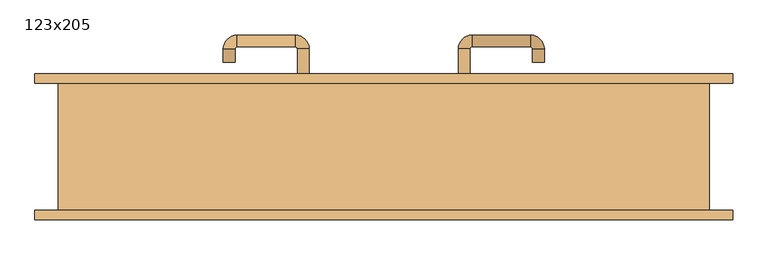
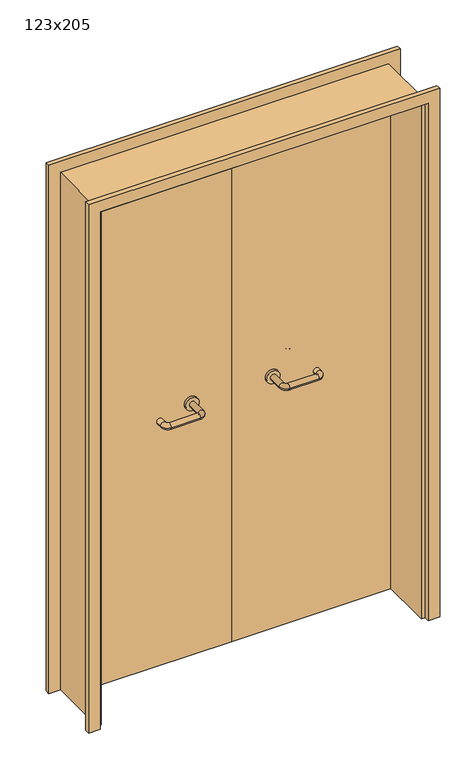
"""IFC4 building model written with IfcOpenShell, lengths in millimetres: door geometry, 123x205."""

from ifc_helpers import new_model, si_unit, point, frame, frame_2d, origin, place, context, project, spatial, polyline, circle_curve, ellipse_curve, trimmed, segment, composite_curve, outline, extrude, source, transform, mapped, element, save
from ifc_brep_helpers import plane_surface, cylinder_surface, revolved_surface, advanced_brep


def door_123x205_2bc23740(model_context):
    return source(origin(), model_context, "Body", "SolidModel", [
        extrude(outline(polyline([(2094.0, 659.0), (2094.0, -659.0), (0.0, -659.0), (0.0, -615.0), (2050.0, -615.0), (2050.0, 615.0), (0.0, 615.0), (0.0, 659.0), (2094.0, 659.0)])), frame((0.0, 120.0, 0.0), z_axis=(0.0, 1.0, 0.0), x_axis=(0.0, 0.0, 1.0)), (0.0, 0.0, 1.0), 18.0),
        extrude(outline(polyline([(2094.0, -659.0), (0.0, -659.0), (0.0, -615.0), (2050.0, -615.0), (2050.0, 615.0), (0.0, 615.0), (0.0, 659.0), (2094.0, 659.0), (2094.0, -659.0)])), frame((0.0, -138.0, 0.0), z_axis=(0.0, 1.0, 0.0), x_axis=(0.0, 0.0, 1.0)), (0.0, 0.0, 1.0), 18.0),
        extrude(outline(polyline([(2050.0, -615.0), (0.0, -615.0), (0.0, -600.0), (2035.0, -600.0), (2035.0, 600.0), (0.0, 600.0), (0.0, 615.0), (2050.0, 615.0), (2050.0, -615.0)])), frame((0.0, -119.0, 0.0), z_axis=(0.0, 1.0, 0.0), x_axis=(0.0, 0.0, 1.0)), (0.0, 0.0, 1.0), 239.0),
        advanced_brep(
        [(140.99898, 66.0, 1003.0), (162.99898, 66.0, 1003.0), (140.99898, 10.6474631, 1003.0), (162.99898, 10.6474631, 1003.0), (166.99898, 6.6474631, 1003.0), (166.99898, -15.3525369, 1003.0), (276.99898, -15.3525369, 1003.0), (276.99898, 6.6474631, 1003.0), (280.99898, 10.6474631, 1003.0), (302.99898, 10.6474631, 1003.0), (302.99898, 28.0, 1003.0), (280.99898, 28.0, 1003.0)],
        [
            (0, 1, circle_curve(frame((151.99898, 66.0, 1003.0), z_axis=(0.0, 1.0, 0.0), x_axis=(1.0, 0.0, 0.0)), 11.0)),
            (1, 0, circle_curve(frame((151.99898, 66.0, 1003.0), z_axis=(0.0, 1.0, 0.0), x_axis=(1.0, 0.0, 0.0)), 11.0)),
            (0, 2),
            (2, 3, circle_curve(frame((151.99898, 10.6474631, 1003.0), z_axis=(0.0, 1.0, 0.0), x_axis=(1.0, 0.0, 0.0)), 11.0)),
            (3, 1),
            (3, 2, circle_curve(frame((151.99898, 10.6474631, 1003.0), z_axis=(0.0, 1.0, 0.0), x_axis=(1.0, 0.0, 0.0)), 11.0)),
            (4, 3, circle_curve(frame((166.99898, 10.6474631, 1003.0), z_axis=(0.0, 0.0, -1.0), x_axis=(-1.0, 0.0, 0.0)), 4.0)),
            (2, 5, circle_curve(frame((166.99898, 10.6474631, 1003.0), z_axis=(0.0, 0.0, 1.0), x_axis=(-1.0, 0.0, 0.0)), 26.0)),
            (5, 4, circle_curve(frame((166.99898, -4.3525369, 1003.0), z_axis=(-1.0, 0.0, 0.0), x_axis=(0.0, 1.0, 0.0)), 11.0)),
            (4, 5, circle_curve(frame((166.99898, -4.3525369, 1003.0), z_axis=(-1.0, 0.0, 0.0), x_axis=(0.0, 1.0, 0.0)), 11.0)),
            (5, 6),
            (6, 7, circle_curve(frame((276.99898, -4.3525369, 1003.0), z_axis=(-1.0, 0.0, 0.0), x_axis=(0.0, 1.0, 0.0)), 11.0)),
            (7, 4),
            (7, 6, circle_curve(frame((276.99898, -4.3525369, 1003.0), z_axis=(-1.0, 0.0, 0.0), x_axis=(0.0, 1.0, 0.0)), 11.0)),
            (8, 7, circle_curve(frame((276.99898, 10.6474631, 1003.0), z_axis=(0.0, 0.0, -1.0), x_axis=(0.0, -1.0, 0.0)), 4.0)),
            (6, 9, circle_curve(frame((276.99898, 10.6474631, 1003.0), z_axis=(0.0, 0.0, 1.0), x_axis=(0.0, -1.0, 0.0)), 26.0)),
            (9, 8, circle_curve(frame((291.99898, 10.6474631, 1003.0), z_axis=(0.0, -1.0, 0.0), x_axis=(-1.0, 0.0, 0.0)), 11.0)),
            (8, 9, circle_curve(frame((291.99898, 10.6474631, 1003.0), z_axis=(0.0, -1.0, 0.0), x_axis=(-1.0, 0.0, 0.0)), 11.0)),
            (10, 11, circle_curve(frame((291.99898, 28.0, 1003.0), z_axis=(0.0, 1.0, 0.0), x_axis=(-1.0, 0.0, 0.0)), 11.0)),
            (11, 10, circle_curve(frame((291.99898, 28.0, 1003.0), z_axis=(0.0, 1.0, 0.0), x_axis=(-1.0, 0.0, 0.0)), 11.0)),
            (9, 10),
            (11, 8),
        ],
        [
            plane_surface(frame((140.99898, 66.0, 1003.0), z_axis=(0.0, 1.0, 0.0), x_axis=(0.0, 0.0, -1.0))),
            cylinder_surface(frame((151.99898, 66.0, 1003.0), z_axis=(0.0, 1.0, 0.0), x_axis=(1.0, 0.0, 0.0)), 11.0),
            revolved_surface(trimmed(ellipse_curve(frame((151.99898, 10.6474631, 1003.0), z_axis=(0.0, 1.0, 0.0), x_axis=(1.0, 0.0, 0.0)), 11.0, 11.0), [point((140.99898, 10.6474631, 1003.0))], [point((162.99898, 10.6474631, 1003.0))], True, "CARTESIAN"), (166.99898, 10.6474631, 1003.0), (0.0, 0.0, 1.0)),
            revolved_surface(trimmed(ellipse_curve(frame((151.99898, 10.6474631, 1003.0), z_axis=(0.0, 1.0, 0.0), x_axis=(1.0, 0.0, 0.0)), 11.0, 11.0), [point((162.99898, 10.6474631, 1003.0))], [point((140.99898, 10.6474631, 1003.0))], True, "CARTESIAN"), (166.99898, 10.6474631, 1003.0), (0.0, 0.0, 1.0)),
            cylinder_surface(frame((166.99898, -4.3525369, 1003.0), z_axis=(-1.0, 0.0, 0.0), x_axis=(0.0, 1.0, 0.0)), 11.0),
            revolved_surface(trimmed(ellipse_curve(frame((276.99898, -4.3525369, 1003.0), z_axis=(-1.0, 0.0, 0.0), x_axis=(0.0, 1.0, 0.0)), 11.0, 11.0), [point((276.99898, -15.3525369, 1003.0))], [point((276.99898, 6.6474631, 1003.0))], True, "CARTESIAN"), (276.99898, 10.6474631, 1003.0), (0.0, 0.0, 1.0)),
            revolved_surface(trimmed(ellipse_curve(frame((276.99898, -4.3525369, 1003.0), z_axis=(-1.0, 0.0, 0.0), x_axis=(0.0, 1.0, 0.0)), 11.0, 11.0), [point((276.99898, 6.6474631, 1003.0))], [point((276.99898, -15.3525369, 1003.0))], True, "CARTESIAN"), (276.99898, 10.6474631, 1003.0), (0.0, 0.0, 1.0)),
            plane_surface(frame((280.99898, 28.0, 1003.0), z_axis=(0.0, 1.0, 0.0), x_axis=(0.0, 0.0, 1.0))),
            cylinder_surface(frame((291.99898, 10.6474631, 1003.0), z_axis=(0.0, -1.0, 0.0), x_axis=(-1.0, 0.0, 0.0)), 11.0),
        ],
        [
            (0, [[1, 2]]),
            (1, [[-1, 3, 4, 5]]),
            (1, [[-2, -5, 6, -3]]),
            (2, [[7, -4, 8, 9]]),
            (3, [[-8, -6, -7, 10]]),
            (4, [[-9, 11, 12, 13]]),
            (4, [[-10, -13, 14, -11]]),
            (5, [[15, -12, 16, 17]]),
            (6, [[-16, -14, -15, 18]]),
            (7, [[19, 20]]),
            (8, [[-17, 21, -20, 22]]),
            (8, [[-18, -22, -19, -21]]),
        ],
    ),
        extrude(outline(composite_curve([segment(trimmed(circle_curve(frame_2d((1003.0, 151.99898)), 25.0), [point((1003.0, 126.99898))], [point((1003.0, 176.99898))], False, "CARTESIAN"), True, "CONTINUOUS"), segment(trimmed(circle_curve(frame_2d((1003.0, 151.99898)), 25.0), [point((1003.0, 176.99898))], [point((1003.0, 126.99898))], False, "CARTESIAN"), True, "CONTINUOUS")], self_intersect=False)), frame((0.0, 66.0, 0.0), z_axis=(0.0, 1.0, 0.0), x_axis=(0.0, 0.0, 1.0)), (0.0, 0.0, 1.0), 10.0),
        advanced_brep(
        [(162.99898, 130.0, 1003.0), (140.99898, 130.0, 1003.0), (162.99898, 185.0, 1003.0), (140.99898, 185.0, 1003.0), (166.99898, 211.0, 1003.0), (166.99898, 189.0, 1003.0), (276.99898, 189.0, 1003.0), (276.99898, 211.0, 1003.0), (302.99898, 185.0, 1003.0), (280.99898, 185.0, 1003.0), (280.99898, 160.0, 1003.0), (302.99898, 160.0, 1003.0)],
        [
            (0, 1, circle_curve(frame((151.99898, 130.0, 1003.0), z_axis=(0.0, -1.0, 0.0), x_axis=(-1.0, 0.0, 0.0)), 11.0)),
            (1, 0, circle_curve(frame((151.99898, 130.0, 1003.0), z_axis=(0.0, -1.0, 0.0), x_axis=(-1.0, 0.0, 0.0)), 11.0)),
            (0, 2),
            (2, 3, circle_curve(frame((151.99898, 185.0, 1003.0), z_axis=(0.0, -1.0, 0.0), x_axis=(-1.0, 0.0, 0.0)), 11.0)),
            (3, 1),
            (3, 2, circle_curve(frame((151.99898, 185.0, 1003.0), z_axis=(0.0, -1.0, 0.0), x_axis=(-1.0, 0.0, 0.0)), 11.0)),
            (4, 3, circle_curve(frame((166.99898, 185.0, 1003.0), z_axis=(0.0, 0.0, 1.0), x_axis=(-1.0, 0.0, 0.0)), 26.0)),
            (2, 5, circle_curve(frame((166.99898, 185.0, 1003.0), z_axis=(0.0, 0.0, -1.0), x_axis=(-1.0, 0.0, 0.0)), 4.0)),
            (5, 4, circle_curve(frame((166.99898, 200.0, 1003.0), z_axis=(-1.0, 0.0, 0.0), x_axis=(0.0, 1.0, 0.0)), 11.0)),
            (4, 5, circle_curve(frame((166.99898, 200.0, 1003.0), z_axis=(-1.0, 0.0, 0.0), x_axis=(0.0, 1.0, 0.0)), 11.0)),
            (5, 6),
            (6, 7, circle_curve(frame((276.99898, 200.0, 1003.0), z_axis=(-1.0, 0.0, 0.0), x_axis=(0.0, 1.0, 0.0)), 11.0)),
            (7, 4),
            (7, 6, circle_curve(frame((276.99898, 200.0, 1003.0), z_axis=(-1.0, 0.0, 0.0), x_axis=(0.0, 1.0, 0.0)), 11.0)),
            (8, 7, circle_curve(frame((276.99898, 185.0, 1003.0), z_axis=(0.0, 0.0, 1.0), x_axis=(0.0, 1.0, 0.0)), 26.0)),
            (6, 9, circle_curve(frame((276.99898, 185.0, 1003.0), z_axis=(0.0, 0.0, -1.0), x_axis=(0.0, 1.0, 0.0)), 4.0)),
            (9, 8, circle_curve(frame((291.99898, 185.0, 1003.0), z_axis=(0.0, 1.0, 0.0), x_axis=(1.0, 0.0, 0.0)), 11.0)),
            (8, 9, circle_curve(frame((291.99898, 185.0, 1003.0), z_axis=(0.0, 1.0, 0.0), x_axis=(1.0, 0.0, 0.0)), 11.0)),
            (10, 11, circle_curve(frame((291.99898, 160.0, 1003.0), z_axis=(0.0, -1.0, 0.0), x_axis=(1.0, 0.0, 0.0)), 11.0)),
            (11, 10, circle_curve(frame((291.99898, 160.0, 1003.0), z_axis=(0.0, -1.0, 0.0), x_axis=(1.0, 0.0, 0.0)), 11.0)),
            (9, 10),
            (11, 8),
        ],
        [
            plane_surface(frame((140.99898, 130.0, 1003.0), z_axis=(0.0, -1.0, 0.0), x_axis=(0.0, 0.0, 1.0))),
            cylinder_surface(frame((151.99898, 130.0, 1003.0), z_axis=(0.0, -1.0, 0.0), x_axis=(-1.0, 0.0, 0.0)), 11.0),
            revolved_surface(trimmed(ellipse_curve(frame((151.99898, 185.0, 1003.0), z_axis=(0.0, -1.0, 0.0), x_axis=(-1.0, 0.0, 0.0)), 11.0, 11.0), [point((162.99898, 185.0, 1003.0))], [point((140.99898, 185.0, 1003.0))], True, "CARTESIAN"), (166.99898, 185.0, 1003.0), (0.0, 0.0, -1.0)),
            revolved_surface(trimmed(ellipse_curve(frame((151.99898, 185.0, 1003.0), z_axis=(0.0, -1.0, 0.0), x_axis=(-1.0, 0.0, 0.0)), 11.0, 11.0), [point((140.99898, 185.0, 1003.0))], [point((162.99898, 185.0, 1003.0))], True, "CARTESIAN"), (166.99898, 185.0, 1003.0), (0.0, 0.0, -1.0)),
            cylinder_surface(frame((166.99898, 200.0, 1003.0), z_axis=(-1.0, 0.0, 0.0), x_axis=(0.0, 1.0, 0.0)), 11.0),
            revolved_surface(trimmed(ellipse_curve(frame((276.99898, 200.0, 1003.0), z_axis=(-1.0, 0.0, 0.0), x_axis=(0.0, 1.0, 0.0)), 11.0, 11.0), [point((276.99898, 189.0, 1003.0))], [point((276.99898, 211.0, 1003.0))], True, "CARTESIAN"), (276.99898, 185.0, 1003.0), (0.0, 0.0, -1.0)),
            revolved_surface(trimmed(ellipse_curve(frame((276.99898, 200.0, 1003.0), z_axis=(-1.0, 0.0, 0.0), x_axis=(0.0, 1.0, 0.0)), 11.0, 11.0), [point((276.99898, 211.0, 1003.0))], [point((276.99898, 189.0, 1003.0))], True, "CARTESIAN"), (276.99898, 185.0, 1003.0), (0.0, 0.0, -1.0)),
            plane_surface(frame((280.99898, 160.0, 1003.0), z_axis=(0.0, -1.0, 0.0), x_axis=(0.0, 0.0, -1.0))),
            cylinder_surface(frame((291.99898, 185.0, 1003.0), z_axis=(0.0, 1.0, 0.0), x_axis=(1.0, 0.0, 0.0)), 11.0),
        ],
        [
            (0, [[1, 2]]),
            (1, [[-1, 3, 4, 5]]),
            (1, [[-2, -5, 6, -3]]),
            (2, [[7, -4, 8, 9]]),
            (3, [[-8, -6, -7, 10]]),
            (4, [[-9, 11, 12, 13]]),
            (4, [[-10, -13, 14, -11]]),
            (5, [[15, -12, 16, 17]]),
            (6, [[-16, -14, -15, 18]]),
            (7, [[19, 20]]),
            (8, [[-17, 21, -20, 22]]),
            (8, [[-18, -22, -19, -21]]),
        ],
    ),
        extrude(outline(composite_curve([segment(trimmed(circle_curve(frame_2d((1003.0, 151.99898)), 25.0), [point((1003.0, 176.99898))], [point((1003.0, 126.99898))], False, "CARTESIAN"), True, "CONTINUOUS"), segment(trimmed(circle_curve(frame_2d((1003.0, 151.99898)), 25.0), [point((1003.0, 126.99898))], [point((1003.0, 176.99898))], False, "CARTESIAN"), True, "CONTINUOUS")], self_intersect=False)), frame((0.0, 120.0, 0.0), z_axis=(0.0, 1.0, 0.0), x_axis=(0.0, 0.0, 1.0)), (0.0, 0.0, 1.0), 10.0),
        advanced_brep(
        [(-162.99898, 65.6886121, 1003.0), (-140.99898, 65.6886121, 1003.0), (-162.99898, 10.2779553, 1003.0), (-140.99898, 10.2779553, 1003.0), (-166.99898, -15.7220447, 1003.0), (-166.99898, 6.2779553, 1003.0), (-276.99898, 6.2779553, 1003.0), (-276.99898, -15.7220447, 1003.0), (-302.99898, 10.2779553, 1003.0), (-280.99898, 10.2779553, 1003.0), (-280.99898, 35.2779553, 1003.0), (-302.99898, 35.2779553, 1003.0)],
        [
            (0, 1, circle_curve(frame((-151.99898, 65.6886121, 1003.0), z_axis=(0.0, 1.0, 0.0), x_axis=(1.0, 0.0, 0.0)), 11.0)),
            (1, 0, circle_curve(frame((-151.99898, 65.6886121, 1003.0), z_axis=(0.0, 1.0, 0.0), x_axis=(1.0, 0.0, 0.0)), 11.0)),
            (0, 2),
            (2, 3, circle_curve(frame((-151.99898, 10.2779553, 1003.0), z_axis=(0.0, 1.0, 0.0), x_axis=(1.0, 0.0, 0.0)), 11.0)),
            (3, 1),
            (3, 2, circle_curve(frame((-151.99898, 10.2779553, 1003.0), z_axis=(0.0, 1.0, 0.0), x_axis=(1.0, 0.0, 0.0)), 11.0)),
            (4, 3, circle_curve(frame((-166.99898, 10.2779553, 1003.0), z_axis=(0.0, 0.0, 1.0), x_axis=(1.0, 0.0, 0.0)), 26.0)),
            (2, 5, circle_curve(frame((-166.99898, 10.2779553, 1003.0), z_axis=(0.0, 0.0, -1.0), x_axis=(1.0, 0.0, 0.0)), 4.0)),
            (5, 4, circle_curve(frame((-166.99898, -4.7220447, 1003.0), z_axis=(1.0, 0.0, 0.0), x_axis=(0.0, -1.0, 0.0)), 11.0)),
            (4, 5, circle_curve(frame((-166.99898, -4.7220447, 1003.0), z_axis=(1.0, 0.0, 0.0), x_axis=(0.0, -1.0, 0.0)), 11.0)),
            (5, 6),
            (6, 7, circle_curve(frame((-276.99898, -4.7220447, 1003.0), z_axis=(1.0, 0.0, 0.0), x_axis=(0.0, -1.0, 0.0)), 11.0)),
            (7, 4),
            (7, 6, circle_curve(frame((-276.99898, -4.7220447, 1003.0), z_axis=(1.0, 0.0, 0.0), x_axis=(0.0, -1.0, 0.0)), 11.0)),
            (8, 7, circle_curve(frame((-276.99898, 10.2779553, 1003.0), z_axis=(0.0, 0.0, 1.0), x_axis=(0.0, -1.0, 0.0)), 26.0)),
            (6, 9, circle_curve(frame((-276.99898, 10.2779553, 1003.0), z_axis=(0.0, 0.0, -1.0), x_axis=(0.0, -1.0, 0.0)), 4.0)),
            (9, 8, circle_curve(frame((-291.99898, 10.2779553, 1003.0), z_axis=(0.0, -1.0, 0.0), x_axis=(-1.0, 0.0, 0.0)), 11.0)),
            (8, 9, circle_curve(frame((-291.99898, 10.2779553, 1003.0), z_axis=(0.0, -1.0, 0.0), x_axis=(-1.0, 0.0, 0.0)), 11.0)),
            (10, 11, circle_curve(frame((-291.99898, 35.2779553, 1003.0), z_axis=(0.0, 1.0, 0.0), x_axis=(-1.0, 0.0, 0.0)), 11.0)),
            (11, 10, circle_curve(frame((-291.99898, 35.2779553, 1003.0), z_axis=(0.0, 1.0, 0.0), x_axis=(-1.0, 0.0, 0.0)), 11.0)),
            (9, 10),
            (11, 8),
        ],
        [
            plane_surface(frame((-162.99898, 65.6886121, 1003.0), z_axis=(0.0, 1.0, 0.0), x_axis=(0.0, 0.0, -1.0))),
            cylinder_surface(frame((-151.99898, 65.6886121, 1003.0), z_axis=(0.0, 1.0, 0.0), x_axis=(1.0, 0.0, 0.0)), 11.0),
            revolved_surface(trimmed(ellipse_curve(frame((-151.99898, 10.2779553, 1003.0), z_axis=(0.0, 1.0, 0.0), x_axis=(1.0, 0.0, 0.0)), 11.0, 11.0), [point((-162.99898, 10.2779553, 1003.0))], [point((-140.99898, 10.2779553, 1003.0))], True, "CARTESIAN"), (-166.99898, 10.2779553, 1003.0), (0.0, 0.0, -1.0)),
            revolved_surface(trimmed(ellipse_curve(frame((-151.99898, 10.2779553, 1003.0), z_axis=(0.0, 1.0, 0.0), x_axis=(1.0, 0.0, 0.0)), 11.0, 11.0), [point((-140.99898, 10.2779553, 1003.0))], [point((-162.99898, 10.2779553, 1003.0))], True, "CARTESIAN"), (-166.99898, 10.2779553, 1003.0), (0.0, 0.0, -1.0)),
            cylinder_surface(frame((-166.99898, -4.7220447, 1003.0), z_axis=(1.0, 0.0, 0.0), x_axis=(0.0, -1.0, 0.0)), 11.0),
            revolved_surface(trimmed(ellipse_curve(frame((-276.99898, -4.7220447, 1003.0), z_axis=(1.0, 0.0, 0.0), x_axis=(0.0, -1.0, 0.0)), 11.0, 11.0), [point((-276.99898, 6.2779553, 1003.0))], [point((-276.99898, -15.7220447, 1003.0))], True, "CARTESIAN"), (-276.99898, 10.2779553, 1003.0), (0.0, 0.0, -1.0)),
            revolved_surface(trimmed(ellipse_curve(frame((-276.99898, -4.7220447, 1003.0), z_axis=(1.0, 0.0, 0.0), x_axis=(0.0, -1.0, 0.0)), 11.0, 11.0), [point((-276.99898, -15.7220447, 1003.0))], [point((-276.99898, 6.2779553, 1003.0))], True, "CARTESIAN"), (-276.99898, 10.2779553, 1003.0), (0.0, 0.0, -1.0)),
            plane_surface(frame((-302.99898, 35.2779553, 1003.0), z_axis=(0.0, 1.0, 0.0), x_axis=(0.0, 0.0, 1.0))),
            cylinder_surface(frame((-291.99898, 10.2779553, 1003.0), z_axis=(0.0, -1.0, 0.0), x_axis=(-1.0, 0.0, 0.0)), 11.0),
        ],
        [
            (0, [[1, 2]]),
            (1, [[-1, 3, 4, 5]]),
            (1, [[-2, -5, 6, -3]]),
            (2, [[7, -4, 8, 9]]),
            (3, [[-8, -6, -7, 10]]),
            (4, [[-9, 11, 12, 13]]),
            (4, [[-10, -13, 14, -11]]),
            (5, [[15, -12, 16, 17]]),
            (6, [[-16, -14, -15, 18]]),
            (7, [[19, 20]]),
            (8, [[-17, 21, -20, 22]]),
            (8, [[-18, -22, -19, -21]]),
        ],
    ),
        extrude(outline(composite_curve([segment(trimmed(circle_curve(frame_2d((1003.0, -151.99898)), 25.0), [point((1003.0, -176.99898))], [point((1003.0, -126.99898))], False, "CARTESIAN"), True, "CONTINUOUS"), segment(trimmed(circle_curve(frame_2d((1003.0, -151.99898)), 25.0), [point((1003.0, -126.99898))], [point((1003.0, -176.99898))], False, "CARTESIAN"), True, "CONTINUOUS")], self_intersect=False)), frame((0.0, 65.6886121, 0.0), z_axis=(0.0, 1.0, 0.0), x_axis=(0.0, 0.0, 1.0)), (0.0, 0.0, 1.0), 10.3113879),
        advanced_brep(
        [(-140.99898, 129.5143417, 1003.0), (-162.99898, 129.5143417, 1003.0), (-140.99898, 184.6104656, 1003.0), (-162.99898, 184.6104656, 1003.0), (-166.99898, 188.6104656, 1003.0), (-166.99898, 210.6104656, 1003.0), (-276.99898, 210.6104656, 1003.0), (-276.99898, 188.6104656, 1003.0), (-280.99898, 184.6104656, 1003.0), (-302.99898, 184.6104656, 1003.0), (-302.99898, 159.6104656, 1003.0), (-280.99898, 159.6104656, 1003.0)],
        [
            (0, 1, circle_curve(frame((-151.99898, 129.5143417, 1003.0), z_axis=(0.0, -1.0, 0.0), x_axis=(-1.0, 0.0, 0.0)), 11.0)),
            (1, 0, circle_curve(frame((-151.99898, 129.5143417, 1003.0), z_axis=(0.0, -1.0, 0.0), x_axis=(-1.0, 0.0, 0.0)), 11.0)),
            (0, 2),
            (2, 3, circle_curve(frame((-151.99898, 184.6104656, 1003.0), z_axis=(0.0, -1.0, 0.0), x_axis=(-1.0, 0.0, 0.0)), 11.0)),
            (3, 1),
            (3, 2, circle_curve(frame((-151.99898, 184.6104656, 1003.0), z_axis=(0.0, -1.0, 0.0), x_axis=(-1.0, 0.0, 0.0)), 11.0)),
            (4, 3, circle_curve(frame((-166.99898, 184.6104656, 1003.0), z_axis=(0.0, 0.0, -1.0), x_axis=(1.0, 0.0, 0.0)), 4.0)),
            (2, 5, circle_curve(frame((-166.99898, 184.6104656, 1003.0), z_axis=(0.0, 0.0, 1.0), x_axis=(1.0, 0.0, 0.0)), 26.0)),
            (5, 4, circle_curve(frame((-166.99898, 199.6104656, 1003.0), z_axis=(1.0, 0.0, 0.0), x_axis=(0.0, -1.0, 0.0)), 11.0)),
            (4, 5, circle_curve(frame((-166.99898, 199.6104656, 1003.0), z_axis=(1.0, 0.0, 0.0), x_axis=(0.0, -1.0, 0.0)), 11.0)),
            (5, 6),
            (6, 7, circle_curve(frame((-276.99898, 199.6104656, 1003.0), z_axis=(1.0, 0.0, 0.0), x_axis=(0.0, -1.0, 0.0)), 11.0)),
            (7, 4),
            (7, 6, circle_curve(frame((-276.99898, 199.6104656, 1003.0), z_axis=(1.0, 0.0, 0.0), x_axis=(0.0, -1.0, 0.0)), 11.0)),
            (8, 7, circle_curve(frame((-276.99898, 184.6104656, 1003.0), z_axis=(0.0, 0.0, -1.0), x_axis=(0.0, 1.0, 0.0)), 4.0)),
            (6, 9, circle_curve(frame((-276.99898, 184.6104656, 1003.0), z_axis=(0.0, 0.0, 1.0), x_axis=(0.0, 1.0, 0.0)), 26.0)),
            (9, 8, circle_curve(frame((-291.99898, 184.6104656, 1003.0), z_axis=(0.0, 1.0, 0.0), x_axis=(1.0, 0.0, 0.0)), 11.0)),
            (8, 9, circle_curve(frame((-291.99898, 184.6104656, 1003.0), z_axis=(0.0, 1.0, 0.0), x_axis=(1.0, 0.0, 0.0)), 11.0)),
            (10, 11, circle_curve(frame((-291.99898, 159.6104656, 1003.0), z_axis=(0.0, -1.0, 0.0), x_axis=(1.0, 0.0, 0.0)), 11.0)),
            (11, 10, circle_curve(frame((-291.99898, 159.6104656, 1003.0), z_axis=(0.0, -1.0, 0.0), x_axis=(1.0, 0.0, 0.0)), 11.0)),
            (9, 10),
            (11, 8),
        ],
        [
            plane_surface(frame((-162.99898, 129.5143417, 1003.0), z_axis=(0.0, -1.0, 0.0), x_axis=(0.0, 0.0, 1.0))),
            cylinder_surface(frame((-151.99898, 129.5143417, 1003.0), z_axis=(0.0, -1.0, 0.0), x_axis=(-1.0, 0.0, 0.0)), 11.0),
            revolved_surface(trimmed(ellipse_curve(frame((-151.99898, 184.6104656, 1003.0), z_axis=(0.0, -1.0, 0.0), x_axis=(-1.0, 0.0, 0.0)), 11.0, 11.0), [point((-140.99898, 184.6104656, 1003.0))], [point((-162.99898, 184.6104656, 1003.0))], True, "CARTESIAN"), (-166.99898, 184.6104656, 1003.0), (0.0, 0.0, 1.0)),
            revolved_surface(trimmed(ellipse_curve(frame((-151.99898, 184.6104656, 1003.0), z_axis=(0.0, -1.0, 0.0), x_axis=(-1.0, 0.0, 0.0)), 11.0, 11.0), [point((-162.99898, 184.6104656, 1003.0))], [point((-140.99898, 184.6104656, 1003.0))], True, "CARTESIAN"), (-166.99898, 184.6104656, 1003.0), (0.0, 0.0, 1.0)),
            cylinder_surface(frame((-166.99898, 199.6104656, 1003.0), z_axis=(1.0, 0.0, 0.0), x_axis=(0.0, -1.0, 0.0)), 11.0),
            revolved_surface(trimmed(ellipse_curve(frame((-276.99898, 199.6104656, 1003.0), z_axis=(1.0, 0.0, 0.0), x_axis=(0.0, -1.0, 0.0)), 11.0, 11.0), [point((-276.99898, 210.6104656, 1003.0))], [point((-276.99898, 188.6104656, 1003.0))], True, "CARTESIAN"), (-276.99898, 184.6104656, 1003.0), (0.0, 0.0, 1.0)),
            revolved_surface(trimmed(ellipse_curve(frame((-276.99898, 199.6104656, 1003.0), z_axis=(1.0, 0.0, 0.0), x_axis=(0.0, -1.0, 0.0)), 11.0, 11.0), [point((-276.99898, 188.6104656, 1003.0))], [point((-276.99898, 210.6104656, 1003.0))], True, "CARTESIAN"), (-276.99898, 184.6104656, 1003.0), (0.0, 0.0, 1.0)),
            plane_surface(frame((-302.99898, 159.6104656, 1003.0), z_axis=(0.0, -1.0, 0.0), x_axis=(0.0, 0.0, -1.0))),
            cylinder_surface(frame((-291.99898, 184.6104656, 1003.0), z_axis=(0.0, 1.0, 0.0), x_axis=(1.0, 0.0, 0.0)), 11.0),
        ],
        [
            (0, [[1, 2]]),
            (1, [[-1, 3, 4, 5]]),
            (1, [[-2, -5, 6, -3]]),
            (2, [[7, -4, 8, 9]]),
            (3, [[-8, -6, -7, 10]]),
            (4, [[-9, 11, 12, 13]]),
            (4, [[-10, -13, 14, -11]]),
            (5, [[15, -12, 16, 17]]),
            (6, [[-16, -14, -15, 18]]),
            (7, [[19, 20]]),
            (8, [[-17, 21, -20, 22]]),
            (8, [[-18, -22, -19, -21]]),
        ],
    ),
        extrude(outline(composite_curve([segment(trimmed(circle_curve(frame_2d((1003.0, -151.99898)), 25.0), [point((1003.0, -126.99898))], [point((1003.0, -176.99898))], False, "CARTESIAN"), True, "CONTINUOUS"), segment(trimmed(circle_curve(frame_2d((1003.0, -151.99898)), 25.0), [point((1003.0, -176.99898))], [point((1003.0, -126.99898))], False, "CARTESIAN"), True, "CONTINUOUS")], self_intersect=False)), frame((0.0, 120.0, 0.0), z_axis=(0.0, 1.0, 0.0), x_axis=(0.0, 0.0, 1.0)), (0.0, 0.0, 1.0), 9.5143417),
        extrude(outline(polyline([(1.0739506, 76.0), (-597.0, 76.0), (-597.0, 120.0), (1.0739506, 120.0), (1.0739506, 76.0)])), frame((0.0, 0.0, 1.753223), z_axis=(0.0, 0.0, 1.0), x_axis=(1.0, 0.0, 0.0)), (0.0, 0.0, 1.0), 2024.246777),
        extrude(outline(polyline([(597.0, 76.0), (1.0739506, 76.0), (1.0739506, 120.0), (597.0, 120.0), (597.0, 76.0)])), frame((0.0, 0.0, 1.753223), z_axis=(0.0, 0.0, 1.0), x_axis=(1.0, 0.0, 0.0)), (0.0, 0.0, 1.0), 2033.246777),
    ])


if __name__ == "__main__":
    model = new_model("IFC4")
    model_context = context("Model", 3, world=origin())
    ifc_project = project(units=[si_unit("LENGTHUNIT", "METRE", prefix="MILLI")], contexts=[model_context])
    site = spatial("IfcSite", under=ifc_project)
    building = spatial("IfcBuilding", under=site)
    placement = place(None, origin())
    door_123x205_shape = door_123x205_2bc23740(model_context)
    element("IfcDoor", 1, ObjectType="123x205", at=placement, inside=building, context=model_context, shape_type="MappedRepresentation", body=[
        mapped(door_123x205_shape, transform((0.0, 0.0, 0.0), x_axis=(1.0, 0.0, 0.0), y_axis=(0.0, 1.0, 0.0), z_axis=(0.0, 0.0, 1.0))),
    ])
    save(model, "model.ifc")
